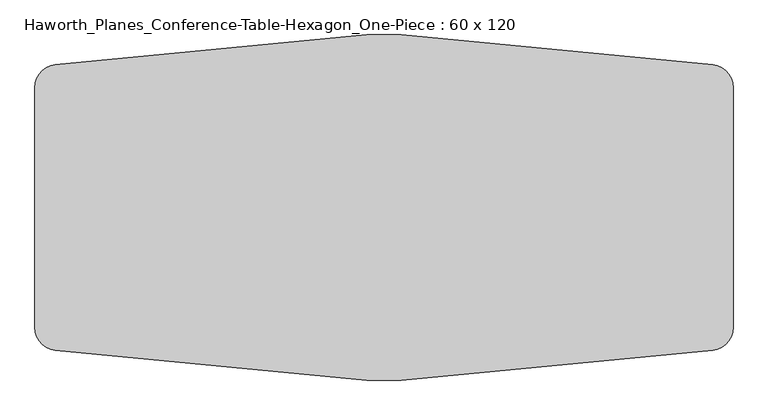
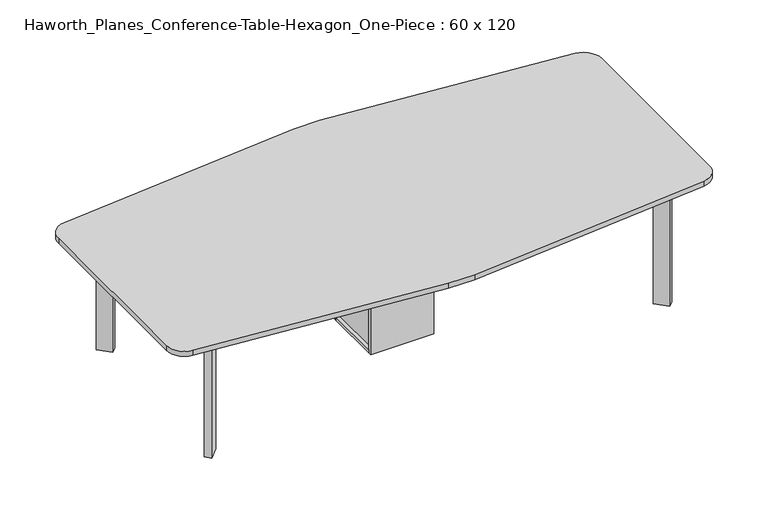
"""IFC4 building model written with IfcOpenShell, lengths in millimetres: furniture geometry, Haworth_Planes_Conference-Table-Hexagon_One-Piece : 60 x 120."""

import ifcopenshell
import ifcopenshell.guid

model = None  # the IFC model being written
_history = None  # IfcOwnerHistory: only IFC2X3 demands one
_inside = {}  # id of a spatial element -> (the spatial element, [elements in it])
_under = {}  # id of a project, library or spatial element -> (it, [spatial elements below it])
_declared = {}  # id of a project -> (the project, [libraries it declares])
_typed = {}  # id of a type object -> (the type object, [elements of that type])
_made_of = {}  # id of a material, layer set ... -> (it, [elements and type objects made of it])


def new_model(schema):
    """Start an empty IFC model of exactly this schema.

    Asked for "IFC4X3", IfcOpenShell would pick the latest addendum, in which some entities
    have other attributes; the version numbers below select the first issue.
    IFC2X3 requires an IfcOwnerHistory on every rooted entity: one is made here for all.
    """
    global model, _history
    if schema == "IFC4X3":
        model = ifcopenshell.file(schema_version=(4, 3, 0, 0))
    else:
        model = ifcopenshell.file(schema=schema)
    _inside.clear()
    _under.clear()
    _declared.clear()
    _typed.clear()
    _made_of.clear()
    _history = None
    if model.schema == "IFC2X3":
        org = make("IfcOrganization", Name="unknown")
        user = make(
            "IfcPersonAndOrganization",
            ThePerson=make("IfcPerson", FamilyName="unknown"),
            TheOrganization=org,
        )
        app = make(
            "IfcApplication",
            ApplicationDeveloper=org,
            Version="unknown",
            ApplicationFullName="unknown",
            ApplicationIdentifier="unknown",
        )
        _history = make(
            "IfcOwnerHistory",
            OwningUser=user,
            OwningApplication=app,
            ChangeAction="ADDED",
            CreationDate=0,
        )
    return model


def make(cls, **values):
    """One entity of the class cls with the attributes given. An attribute that is None is left unset."""
    return model.create_entity(
        cls, **{name: value for name, value in values.items() if value is not None}
    )


def rooted(cls, **values):
    """An entity with a GlobalId (a new one), such as an element, a storey or a relation."""
    return make(cls, GlobalId=ifcopenshell.guid.new(), OwnerHistory=_history, **values)


def si_unit(unit_type, name, prefix=None):
    """IfcSIUnit, for example si_unit("LENGTHUNIT", "METRE", prefix="MILLI")."""
    return make("IfcSIUnit", UnitType=unit_type, Prefix=prefix, Name=name)


def assignment(units):
    """IfcUnitAssignment: the units of a project."""
    return None if units is None else make("IfcUnitAssignment", Units=units)


def point(xyz):
    """IfcCartesianPoint."""
    return None if xyz is None else make("IfcCartesianPoint", Coordinates=xyz)


def direction(xyz):
    """IfcDirection."""
    return None if xyz is None else make("IfcDirection", DirectionRatios=xyz)


def frame(location, z_axis=None, x_axis=None):
    """IfcAxis2Placement3D, a coordinate frame: its origin and axes. An axis left out is left unset."""
    return make(
        "IfcAxis2Placement3D",
        Location=point(location),
        Axis=direction(z_axis),
        RefDirection=direction(x_axis),
    )


def frame_2d(location, x_axis=None):
    """IfcAxis2Placement2D, a coordinate frame in the plane: its origin and x axis."""
    return make(
        "IfcAxis2Placement2D", Location=point(location), RefDirection=direction(x_axis)
    )


def origin():
    """The frame at (0, 0, 0) with its axes left unset."""
    return frame((0.0, 0.0, 0.0))


def origin_with_axes():
    """The frame at (0, 0, 0) with the z axis (0, 0, 1) and the x axis (1, 0, 0) written out."""
    return frame((0.0, 0.0, 0.0), z_axis=(0.0, 0.0, 1.0), x_axis=(1.0, 0.0, 0.0))


def place(relative_to, where):
    """IfcLocalPlacement: puts the frame where relative to a parent placement (None: the world)."""
    return make(
        "IfcLocalPlacement", PlacementRelTo=relative_to, RelativePlacement=where
    )


def context(
    kind, dimensions, precision=None, world=None, true_north=None, identifier=None
):
    """IfcGeometricRepresentationContext, for example the 3D "Model" context."""
    return make(
        "IfcGeometricRepresentationContext",
        ContextIdentifier=identifier,
        ContextType=kind,
        CoordinateSpaceDimension=dimensions,
        Precision=precision,
        WorldCoordinateSystem=world,
        TrueNorth=true_north,
    )


def project(units=None, contexts=None):
    """IfcProject with its units and contexts."""
    return rooted(
        "IfcProject",
        Name="project",
        RepresentationContexts=contexts,
        UnitsInContext=assignment(units),
    )


def spatial(cls, under=None, at=None, **own):
    """A site, building, storey or space (cls), placed at a placement, below another one or the project."""
    s = rooted(cls, ObjectPlacement=at, **own)
    if under is not None:
        _under.setdefault(under.id(), (under, []))[1].append(s)
    return s


def polyline(points):
    """IfcPolyline through the points."""
    return make("IfcPolyline", Points=[point(p) for p in points])


def circle_curve(where, radius):
    """IfcCircle in the frame where."""
    return make("IfcCircle", Position=where, Radius=radius)


def trimmed(basis, trim1, trim2, sense, master):
    """IfcTrimmedCurve: the piece of a basis curve between two trims."""
    return make(
        "IfcTrimmedCurve",
        BasisCurve=basis,
        Trim1=trim1,
        Trim2=trim2,
        SenseAgreement=sense,
        MasterRepresentation=master,
    )


def segment(curve, same_sense, transition):
    """IfcCompositeCurveSegment."""
    return make(
        "IfcCompositeCurveSegment",
        Transition=transition,
        SameSense=same_sense,
        ParentCurve=curve,
    )


def composite_curve(segments, self_intersect=None):
    """IfcCompositeCurve: segments joined end to end."""
    return make("IfcCompositeCurve", Segments=segments, SelfIntersect=self_intersect)


def outline(outer, holes=None, kind="AREA"):
    """IfcArbitraryClosedProfileDef: a profile drawn as a closed curve; with holes, ...WithVoids."""
    if holes is None:
        return make("IfcArbitraryClosedProfileDef", ProfileType=kind, OuterCurve=outer)
    return make(
        "IfcArbitraryProfileDefWithVoids",
        ProfileType=kind,
        OuterCurve=outer,
        InnerCurves=holes,
    )


def extrude(swept, where, along, depth):
    """IfcExtrudedAreaSolid: the profile swept, set in the frame where, extruded along a direction by depth."""
    return make(
        "IfcExtrudedAreaSolid",
        SweptArea=swept,
        Position=where,
        ExtrudedDirection=direction(along),
        Depth=depth,
    )


def faces_of(points, faces, orient=None, outer=None):
    """IfcFace entities. A face is a list of loops; a loop is a list of indices into points, from 0.

    orient and outer hold one flag for each loop. By default every Orientation is true, the
    first loop of a face is its IfcFaceOuterBound and the others are IfcFaceBound.
    """
    made = []
    for i, loops in enumerate(faces):
        bounds = []
        for j, loop in enumerate(loops):
            is_outer = j == 0 if outer is None else outer[i][j]
            bounds.append(
                make(
                    "IfcFaceOuterBound" if is_outer else "IfcFaceBound",
                    Bound=make("IfcPolyLoop", Polygon=[points[k] for k in loop]),
                    Orientation=True if orient is None else orient[i][j],
                )
            )
        made.append(make("IfcFace", Bounds=bounds))
    return made


def faceted_brep(points, faces, orient=None, outer=None, voids=None):
    """IfcFacetedBrep: a solid bounded by flat faces; with voids (closed shells), ...WithVoids."""
    shared = [point(p) for p in points]
    hull = make("IfcClosedShell", CfsFaces=faces_of(shared, faces, orient, outer))
    if voids is None:
        return make("IfcFacetedBrep", Outer=hull)
    return make(
        "IfcFacetedBrepWithVoids",
        Outer=hull,
        Voids=[
            make(cls, CfsFaces=faces_of(shared, fs, o, b)) for cls, fs, o, b in voids
        ],
    )


def shape(context_of_items, identifier, shape_type, items):
    """IfcShapeRepresentation: the items that make up one representation, for example the "Body"."""
    return make(
        "IfcShapeRepresentation",
        ContextOfItems=context_of_items,
        RepresentationIdentifier=identifier,
        RepresentationType=shape_type,
        Items=items,
    )


def source(mapping_origin, context_of_items, identifier, shape_type, items):
    """IfcRepresentationMap: a shape defined once, which mapped items show again and again."""
    return make(
        "IfcRepresentationMap",
        MappingOrigin=mapping_origin,
        MappedRepresentation=shape(context_of_items, identifier, shape_type, items),
    )


def transform(
    local_origin,
    x_axis=None,
    y_axis=None,
    z_axis=None,
    scale=None,
    scale2=None,
    scale3=None,
    uniform=True,
):
    """IfcCartesianTransformationOperator3D, or its non-uniform kind. x_axis, y_axis, z_axis: its Axis1, 2, 3."""
    if uniform:
        return make(
            "IfcCartesianTransformationOperator3D",
            Axis1=direction(x_axis),
            Axis2=direction(y_axis),
            LocalOrigin=point(local_origin),
            Scale=scale,
            Axis3=direction(z_axis),
        )
    return make(
        "IfcCartesianTransformationOperator3DnonUniform",
        Axis1=direction(x_axis),
        Axis2=direction(y_axis),
        LocalOrigin=point(local_origin),
        Scale=scale,
        Axis3=direction(z_axis),
        Scale2=scale2,
        Scale3=scale3,
    )


def mapped(mapping_source, mapping_target):
    """IfcMappedItem: shows the shape of a source again, moved by a transform."""
    return make(
        "IfcMappedItem", MappingSource=mapping_source, MappingTarget=mapping_target
    )


def made_of(thing, what):
    """Note that an element or type object is made of a material, layer set ...; save() writes the relation."""
    if what is not None:
        _made_of.setdefault(what.id(), (what, []))[1].append(thing)
    return thing


def element(
    cls,
    number,
    at=None,
    inside=None,
    cuts=None,
    type_object=None,
    material=None,
    context=None,
    identifier="Body",
    shape_type=None,
    held_by="IfcProductDefinitionShape",
    body=None,
    shapes=None,
    **own,
):
    """One element of the class cls, such as IfcWall. Its Tag is "e" and its number.

    at: its placement. inside: the storey or other place that contains it. cuts: it is an
    opening in that element (IfcRelVoidsElement). A single representation is given by context,
    identifier, shape_type and body (its items); several are given by shapes. held_by: the class
    of the entity that holds the representations. save() writes the other relations.
    """
    e = rooted(cls, Tag="e%d" % number, ObjectPlacement=at, **own)
    if body is not None:
        shapes = [shape(context, identifier, shape_type, body)]
    if shapes is not None:
        e.Representation = make(held_by, Representations=shapes)
    if inside is not None:
        _inside.setdefault(inside.id(), (inside, []))[1].append(e)
    if cuts is not None:
        rooted(
            "IfcRelVoidsElement", RelatingBuildingElement=cuts, RelatedOpeningElement=e
        )
    if type_object is not None:
        _typed.setdefault(type_object.id(), (type_object, []))[1].append(e)
    return made_of(e, material)


def aggregate(whole, parts):
    """IfcRelAggregates: a whole, such as a stair, and the parts it consists of."""
    return rooted("IfcRelAggregates", RelatingObject=whole, RelatedObjects=parts)


def save(model, path):
    """Write the relations noted so far, then the file.

    IfcRelAggregates (storeys below a building ...), IfcRelContainedInSpatialStructure (elements
    in a storey), IfcRelDefinesByType, IfcRelAssociatesMaterial and IfcRelDeclares: one each for
    every whole, place, type object, material and project.
    """
    for whole, parts in _under.values():
        aggregate(whole, parts)
    for where, things in _inside.values():
        rooted(
            "IfcRelContainedInSpatialStructure",
            RelatedElements=things,
            RelatingStructure=where,
        )
    for kind, things in _typed.values():
        rooted("IfcRelDefinesByType", RelatedObjects=things, RelatingType=kind)
    for what, things in _made_of.values():
        rooted("IfcRelAssociatesMaterial", RelatedObjects=things, RelatingMaterial=what)
    for by, libraries in _declared.values():
        rooted("IfcRelDeclares", RelatingContext=by, RelatedDefinitions=libraries)
    model.write(path)


def haworth_planes_conference_table_hexagon_one_piece_60_x_120_c774d09a(model_context):
    return source(origin(), model_context, "Body", "SolidModel", [
        faceted_brep([(-139.7, 154.7200592, 687.3875), (-158.75, 154.7200592, 687.3875), (-158.75, -162.7799408, 687.3875), (-139.7, -162.7799408, 687.3875), (139.7, 154.7200592, 687.3875), (139.7, -162.7799408, 687.3875), (158.75, -162.7799408, 687.3875), (158.75, 154.7200592, 687.3875), (-177.8, -162.7799408, 0.0), (-177.8, 154.7200592, 0.0), (177.8, 154.7200592, 0.0), (177.8, -162.7799408, 0.0), (101.6, 97.5700592, 0.0), (-101.6, 97.5700592, 0.0), (-101.6, -105.6299408, 0.0), (101.6, -105.6299408, 0.0), (177.8, 154.7200592, 19.05), (-177.8, 154.7200592, 19.05), (-158.75, 154.7200592, 19.05), (-139.7, 154.7200592, 19.05), (139.7, 154.7200592, 19.05), (158.75, 154.7200592, 19.05), (-158.75, -162.7799408, 19.05), (177.8, -162.7799408, 19.05), (158.75, -162.7799408, 19.05), (139.7, -162.7799408, 19.05), (-139.7, -162.7799408, 19.05), (-177.8, -162.7799408, 19.05), (101.6, 97.5700592, 19.05), (101.6, -105.6299408, 19.05), (-101.6, -105.6299408, 19.05), (-101.6, 97.5700592, 19.05)], [[[0, 1, 2, 3]], [[4, 5, 6, 7]], [[8, 9, 10, 11], [12, 13, 14, 15]], [[16, 10, 9, 17, 18, 1, 0, 19, 20, 4, 7, 21]], [[2, 1, 18, 22]], [[8, 11, 23, 24, 6, 5, 25, 26, 3, 2, 22, 27]], [[0, 3, 26, 19]], [[5, 4, 20, 25]], [[7, 6, 24, 21]], [[20, 19, 26, 25], [28, 29, 30, 31]], [[17, 27, 22, 18]], [[23, 16, 21, 24]], [[27, 17, 9, 8]], [[16, 23, 11, 10]], [[29, 28, 12, 15]], [[30, 29, 15, 14]], [[31, 30, 14, 13]], [[28, 31, 13, 12]]]),
        extrude(outline(polyline([(177.8, 173.7700592), (177.8, 154.7200592), (-177.8, 154.7200592), (-177.8, 173.7700592), (177.8, 173.7700592)])), origin_with_axes(), (0.0, 0.0, 1.0), 706.4375),
        extrude(outline(polyline([(177.8, -162.7799408), (177.8, -181.8299408), (-177.8, -181.8299408), (-177.8, -162.7799408), (177.8, -162.7799408)])), origin_with_axes(), (0.0, 0.0, 1.0), 706.4375),
        extrude(outline(composite_curve([segment(polyline([(-1434.7819253, 620.7425476), (-74.2915517, 750.3650265)]), True, "CONTINUOUS"), segment(trimmed(circle_curve(frame_2d((0.0, -7.0911075)), 761.0906843), [point((-74.2915517, 750.3650265))], [point((74.2915517, 750.3650265))], False, "CARTESIAN"), True, "CONTINUOUS"), segment(polyline([(74.2915517, 750.3650265), (1434.7819253, 620.7425476)]), True, "CONTINUOUS"), segment(trimmed(circle_curve(frame_2d((1422.4, 519.8998586)), 101.6), [point((1434.7819253, 620.7425476))], [point((1524.0, 519.8998586))], False, "CARTESIAN"), True, "CONTINUOUS"), segment(polyline([(1524.0, 519.8998586), (1524.0, -527.9597401)]), True, "CONTINUOUS"), segment(trimmed(circle_curve(frame_2d((1422.4, -527.9597401)), 101.6), [point((1524.0, -527.9597401))], [point((1434.7819253, -628.8024291))], False, "CARTESIAN"), True, "CONTINUOUS"), segment(polyline([(1434.7819253, -628.8024291), (74.2915517, -758.4249081)]), True, "CONTINUOUS"), segment(trimmed(circle_curve(frame_2d((0.0, -0.9687741)), 761.0906843), [point((74.2915517, -758.4249081))], [point((-74.2915517, -758.4249081))], False, "CARTESIAN"), True, "CONTINUOUS"), segment(polyline([(-74.2915517, -758.4249081), (-1434.7819253, -628.8024291)]), True, "CONTINUOUS"), segment(trimmed(circle_curve(frame_2d((-1422.4, -527.9597401)), 101.6), [point((-1434.7819253, -628.8024291))], [point((-1524.0, -527.9597401))], False, "CARTESIAN"), True, "CONTINUOUS"), segment(polyline([(-1524.0, -527.9597401), (-1524.0, 519.8998586)]), True, "CONTINUOUS"), segment(trimmed(circle_curve(frame_2d((-1422.4, 519.8998586)), 101.6), [point((-1524.0, 519.8998586))], [point((-1434.7819253, 620.7425476))], False, "CARTESIAN"), True, "CONTINUOUS")], self_intersect=False)), frame((0.0, 0.0, 706.4375), z_axis=(0.0, 0.0, 1.0), x_axis=(1.0, 0.0, 0.0)), (0.0, 0.0, 1.0), 30.1625),
        extrude(outline(polyline([(1285.7154482, -554.6861574), (1227.3437834, -496.3144926), (1254.2845518, -469.3737242), (1312.6562166, -527.745389), (1285.7154482, -554.6861574)])), origin_with_axes(), (0.0, 0.0, 1.0), 706.4375),
        extrude(outline(polyline([(1285.7154482, 546.6262758), (1312.6562166, 519.6855074), (1254.2845518, 461.3138426), (1227.3437834, 488.254611), (1285.7154482, 546.6262758)])), origin_with_axes(), (0.0, 0.0, 1.0), 706.4375),
        extrude(outline(polyline([(-1285.7154482, -554.6861574), (-1312.6562166, -527.745389), (-1254.2845518, -469.3737242), (-1227.3437834, -496.3144926), (-1285.7154482, -554.6861574)])), origin_with_axes(), (0.0, 0.0, 1.0), 706.4375),
        extrude(outline(polyline([(-1254.2845518, 461.3138426), (-1312.6562166, 519.6855074), (-1285.7154482, 546.6262758), (-1227.3437834, 488.254611), (-1254.2845518, 461.3138426)])), origin_with_axes(), (0.0, 0.0, 1.0), 706.4375),
    ])


if __name__ == "__main__":
    model = new_model("IFC4")
    model_context = context("Model", 3, world=origin())
    ifc_project = project(units=[si_unit("LENGTHUNIT", "METRE", prefix="MILLI")], contexts=[model_context])
    site = spatial("IfcSite", under=ifc_project)
    building = spatial("IfcBuilding", under=site)
    placement = place(None, origin())
    haworth_planes_conference_table_hexagon_one_piece_60_x_120_shape = haworth_planes_conference_table_hexagon_one_piece_60_x_120_c774d09a(model_context)
    element("IfcFurniture", 1, ObjectType="Haworth_Planes_Conference-Table-Hexagon_One-Piece : 60 x 120", at=placement, inside=building, context=model_context, shape_type="MappedRepresentation", body=[
        mapped(haworth_planes_conference_table_hexagon_one_piece_60_x_120_shape, transform((0.0, 0.0, 0.0), x_axis=(1.0, 0.0, 0.0), y_axis=(0.0, 1.0, 0.0), z_axis=(0.0, 0.0, 1.0))),
    ])
    save(model, "model.ifc")
